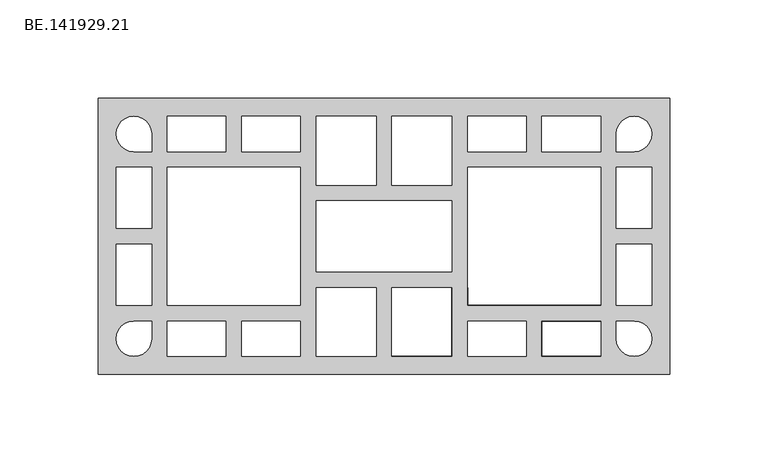
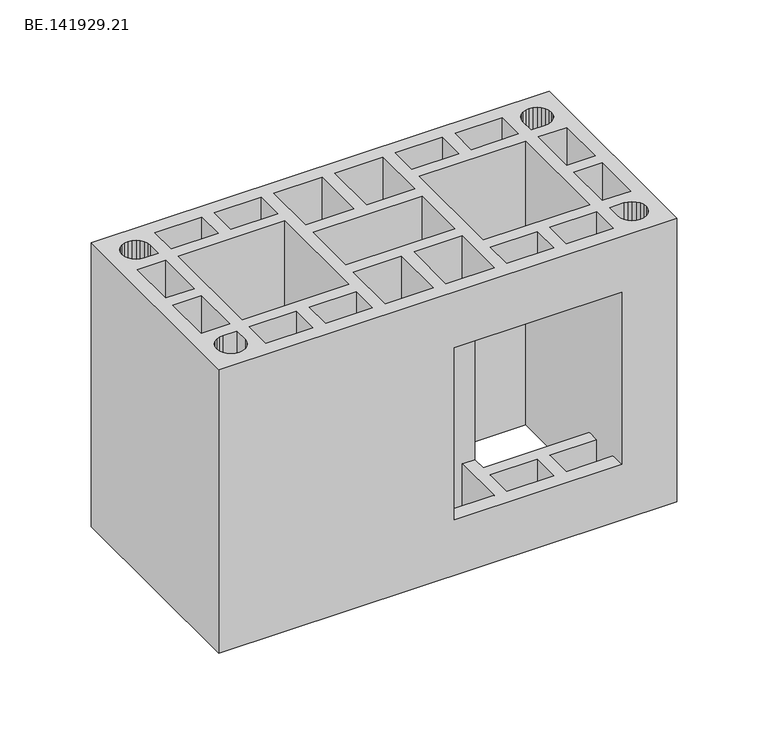
"""IFC4 building model written with IfcOpenShell, lengths in millimetres: proxy geometry, BE.141929.21."""

import ifcopenshell
import ifcopenshell.guid

model = None  # the IFC model being written
_history = None  # IfcOwnerHistory: only IFC2X3 demands one
_inside = {}  # id of a spatial element -> (the spatial element, [elements in it])
_under = {}  # id of a project, library or spatial element -> (it, [spatial elements below it])
_declared = {}  # id of a project -> (the project, [libraries it declares])
_typed = {}  # id of a type object -> (the type object, [elements of that type])
_made_of = {}  # id of a material, layer set ... -> (it, [elements and type objects made of it])


def new_model(schema):
    """Start an empty IFC model of exactly this schema.

    Asked for "IFC4X3", IfcOpenShell would pick the latest addendum, in which some entities
    have other attributes; the version numbers below select the first issue.
    IFC2X3 requires an IfcOwnerHistory on every rooted entity: one is made here for all.
    """
    global model, _history
    if schema == "IFC4X3":
        model = ifcopenshell.file(schema_version=(4, 3, 0, 0))
    else:
        model = ifcopenshell.file(schema=schema)
    _inside.clear()
    _under.clear()
    _declared.clear()
    _typed.clear()
    _made_of.clear()
    _history = None
    if model.schema == "IFC2X3":
        org = make("IfcOrganization", Name="unknown")
        user = make(
            "IfcPersonAndOrganization",
            ThePerson=make("IfcPerson", FamilyName="unknown"),
            TheOrganization=org,
        )
        app = make(
            "IfcApplication",
            ApplicationDeveloper=org,
            Version="unknown",
            ApplicationFullName="unknown",
            ApplicationIdentifier="unknown",
        )
        _history = make(
            "IfcOwnerHistory",
            OwningUser=user,
            OwningApplication=app,
            ChangeAction="ADDED",
            CreationDate=0,
        )
    return model


def make(cls, **values):
    """One entity of the class cls with the attributes given. An attribute that is None is left unset."""
    return model.create_entity(
        cls, **{name: value for name, value in values.items() if value is not None}
    )


def rooted(cls, **values):
    """An entity with a GlobalId (a new one), such as an element, a storey or a relation."""
    return make(cls, GlobalId=ifcopenshell.guid.new(), OwnerHistory=_history, **values)


def si_unit(unit_type, name, prefix=None):
    """IfcSIUnit, for example si_unit("LENGTHUNIT", "METRE", prefix="MILLI")."""
    return make("IfcSIUnit", UnitType=unit_type, Prefix=prefix, Name=name)


def assignment(units):
    """IfcUnitAssignment: the units of a project."""
    return None if units is None else make("IfcUnitAssignment", Units=units)


def point(xyz):
    """IfcCartesianPoint."""
    return None if xyz is None else make("IfcCartesianPoint", Coordinates=xyz)


def direction(xyz):
    """IfcDirection."""
    return None if xyz is None else make("IfcDirection", DirectionRatios=xyz)


def frame(location, z_axis=None, x_axis=None):
    """IfcAxis2Placement3D, a coordinate frame: its origin and axes. An axis left out is left unset."""
    return make(
        "IfcAxis2Placement3D",
        Location=point(location),
        Axis=direction(z_axis),
        RefDirection=direction(x_axis),
    )


def origin():
    """The frame at (0, 0, 0) with its axes left unset."""
    return frame((0.0, 0.0, 0.0))


def place(relative_to, where):
    """IfcLocalPlacement: puts the frame where relative to a parent placement (None: the world)."""
    return make(
        "IfcLocalPlacement", PlacementRelTo=relative_to, RelativePlacement=where
    )


def context(
    kind, dimensions, precision=None, world=None, true_north=None, identifier=None
):
    """IfcGeometricRepresentationContext, for example the 3D "Model" context."""
    return make(
        "IfcGeometricRepresentationContext",
        ContextIdentifier=identifier,
        ContextType=kind,
        CoordinateSpaceDimension=dimensions,
        Precision=precision,
        WorldCoordinateSystem=world,
        TrueNorth=true_north,
    )


def project(units=None, contexts=None):
    """IfcProject with its units and contexts."""
    return rooted(
        "IfcProject",
        Name="project",
        RepresentationContexts=contexts,
        UnitsInContext=assignment(units),
    )


def spatial(cls, under=None, at=None, **own):
    """A site, building, storey or space (cls), placed at a placement, below another one or the project."""
    s = rooted(cls, ObjectPlacement=at, **own)
    if under is not None:
        _under.setdefault(under.id(), (under, []))[1].append(s)
    return s


def faces_of(points, faces, orient=None, outer=None):
    """IfcFace entities. A face is a list of loops; a loop is a list of indices into points, from 0.

    orient and outer hold one flag for each loop. By default every Orientation is true, the
    first loop of a face is its IfcFaceOuterBound and the others are IfcFaceBound.
    """
    made = []
    for i, loops in enumerate(faces):
        bounds = []
        for j, loop in enumerate(loops):
            is_outer = j == 0 if outer is None else outer[i][j]
            bounds.append(
                make(
                    "IfcFaceOuterBound" if is_outer else "IfcFaceBound",
                    Bound=make("IfcPolyLoop", Polygon=[points[k] for k in loop]),
                    Orientation=True if orient is None else orient[i][j],
                )
            )
        made.append(make("IfcFace", Bounds=bounds))
    return made


def faceted_brep(points, faces, orient=None, outer=None, voids=None):
    """IfcFacetedBrep: a solid bounded by flat faces; with voids (closed shells), ...WithVoids."""
    shared = [point(p) for p in points]
    hull = make("IfcClosedShell", CfsFaces=faces_of(shared, faces, orient, outer))
    if voids is None:
        return make("IfcFacetedBrep", Outer=hull)
    return make(
        "IfcFacetedBrepWithVoids",
        Outer=hull,
        Voids=[
            make(cls, CfsFaces=faces_of(shared, fs, o, b)) for cls, fs, o, b in voids
        ],
    )


def shape(context_of_items, identifier, shape_type, items):
    """IfcShapeRepresentation: the items that make up one representation, for example the "Body"."""
    return make(
        "IfcShapeRepresentation",
        ContextOfItems=context_of_items,
        RepresentationIdentifier=identifier,
        RepresentationType=shape_type,
        Items=items,
    )


def source(mapping_origin, context_of_items, identifier, shape_type, items):
    """IfcRepresentationMap: a shape defined once, which mapped items show again and again."""
    return make(
        "IfcRepresentationMap",
        MappingOrigin=mapping_origin,
        MappedRepresentation=shape(context_of_items, identifier, shape_type, items),
    )


def transform(
    local_origin,
    x_axis=None,
    y_axis=None,
    z_axis=None,
    scale=None,
    scale2=None,
    scale3=None,
    uniform=True,
):
    """IfcCartesianTransformationOperator3D, or its non-uniform kind. x_axis, y_axis, z_axis: its Axis1, 2, 3."""
    if uniform:
        return make(
            "IfcCartesianTransformationOperator3D",
            Axis1=direction(x_axis),
            Axis2=direction(y_axis),
            LocalOrigin=point(local_origin),
            Scale=scale,
            Axis3=direction(z_axis),
        )
    return make(
        "IfcCartesianTransformationOperator3DnonUniform",
        Axis1=direction(x_axis),
        Axis2=direction(y_axis),
        LocalOrigin=point(local_origin),
        Scale=scale,
        Axis3=direction(z_axis),
        Scale2=scale2,
        Scale3=scale3,
    )


def mapped(mapping_source, mapping_target):
    """IfcMappedItem: shows the shape of a source again, moved by a transform."""
    return make(
        "IfcMappedItem", MappingSource=mapping_source, MappingTarget=mapping_target
    )


def made_of(thing, what):
    """Note that an element or type object is made of a material, layer set ...; save() writes the relation."""
    if what is not None:
        _made_of.setdefault(what.id(), (what, []))[1].append(thing)
    return thing


def element(
    cls,
    number,
    at=None,
    inside=None,
    cuts=None,
    type_object=None,
    material=None,
    context=None,
    identifier="Body",
    shape_type=None,
    held_by="IfcProductDefinitionShape",
    body=None,
    shapes=None,
    **own,
):
    """One element of the class cls, such as IfcWall. Its Tag is "e" and its number.

    at: its placement. inside: the storey or other place that contains it. cuts: it is an
    opening in that element (IfcRelVoidsElement). A single representation is given by context,
    identifier, shape_type and body (its items); several are given by shapes. held_by: the class
    of the entity that holds the representations. save() writes the other relations.
    """
    e = rooted(cls, Tag="e%d" % number, ObjectPlacement=at, **own)
    if body is not None:
        shapes = [shape(context, identifier, shape_type, body)]
    if shapes is not None:
        e.Representation = make(held_by, Representations=shapes)
    if inside is not None:
        _inside.setdefault(inside.id(), (inside, []))[1].append(e)
    if cuts is not None:
        rooted(
            "IfcRelVoidsElement", RelatingBuildingElement=cuts, RelatedOpeningElement=e
        )
    if type_object is not None:
        _typed.setdefault(type_object.id(), (type_object, []))[1].append(e)
    return made_of(e, material)


def aggregate(whole, parts):
    """IfcRelAggregates: a whole, such as a stair, and the parts it consists of."""
    return rooted("IfcRelAggregates", RelatingObject=whole, RelatedObjects=parts)


def save(model, path):
    """Write the relations noted so far, then the file.

    IfcRelAggregates (storeys below a building ...), IfcRelContainedInSpatialStructure (elements
    in a storey), IfcRelDefinesByType, IfcRelAssociatesMaterial and IfcRelDeclares: one each for
    every whole, place, type object, material and project.
    """
    for whole, parts in _under.values():
        aggregate(whole, parts)
    for where, things in _inside.values():
        rooted(
            "IfcRelContainedInSpatialStructure",
            RelatedElements=things,
            RelatingStructure=where,
        )
    for kind, things in _typed.values():
        rooted("IfcRelDefinesByType", RelatedObjects=things, RelatingType=kind)
    for what, things in _made_of.values():
        rooted("IfcRelAssociatesMaterial", RelatedObjects=things, RelatingMaterial=what)
    for by, libraries in _declared.values():
        rooted("IfcRelDeclares", RelatingContext=by, RelatedDefinitions=libraries)
    model.write(path)


def be_141929_21_d2c69368(model_context):
    return source(origin(), model_context, "Body", "Brep", [
        faceted_brep([(295.0, 70.0050293, 190.0), (5.0, 70.0050293, 190.0), (5.0, -70.0050293, 190.0), (295.0, -70.0050293, 190.0), (29.352002, 58.3592285, 190.0), (30.7844727, 56.498877, 190.0), (31.6774414, 54.3408691, 190.0), (31.9937012, 51.9968262, 190.0), (31.9937012, 43.0113281, 190.0), (22.9895996, 43.0113281, 190.0), (20.6641602, 43.3089844, 190.0), (18.4875488, 44.2019531, 190.0), (16.6271973, 45.6344238, 190.0), (15.1947266, 47.4947754, 190.0), (14.3017578, 49.6713867, 190.0), (13.985498, 51.9968262, 190.0), (14.3017578, 54.3408691, 190.0), (15.1947266, 56.498877, 190.0), (16.6271973, 58.3592285, 190.0), (18.4875488, 59.7916992, 190.0), (20.6641602, 60.7032715, 190.0), (22.9895996, 61.0009277, 190.0), (25.3150391, 60.7032715, 190.0), (27.4916504, 59.7916992, 190.0), (69.7402344, 61.0009277, 190.0), (69.7402344, 43.0113281, 190.0), (39.9932129, 43.0113281, 190.0), (39.9932129, 61.0009277, 190.0), (107.4867676, 61.0009277, 190.0), (107.4867676, 43.0113281, 190.0), (77.7397461, 43.0113281, 190.0), (77.7397461, 61.0009277, 190.0), (145.9960449, 61.0009277, 190.0), (145.9960449, 26.0077148, 190.0), (115.4862793, 26.0077148, 190.0), (115.4862793, 61.0009277, 190.0), (184.4867188, 18.0082031, 190.0), (184.4867188, -17.9895996, 190.0), (115.4862793, -17.9895996, 190.0), (115.4862793, 18.0082031, 190.0), (184.4867188, 26.0077148, 190.0), (153.9955566, 26.0077148, 190.0), (153.9955566, 61.0009277, 190.0), (184.4867188, 61.0009277, 190.0), (192.4862305, 61.0009277, 190.0), (222.233252, 61.0009277, 190.0), (222.233252, 43.0113281, 190.0), (192.4862305, 43.0113281, 190.0), (259.9983887, 61.0009277, 190.0), (259.9983887, 43.0113281, 190.0), (230.2327637, 43.0113281, 190.0), (230.2327637, 61.0009277, 190.0), (269.1885254, 56.498877, 190.0), (270.6209961, 58.3592285, 190.0), (272.4999512, 59.7916992, 190.0), (274.657959, 60.7032715, 190.0), (276.9833984, 61.0009277, 190.0), (279.3274414, 60.7032715, 190.0), (281.4854492, 59.7916992, 190.0), (283.3458008, 58.3592285, 190.0), (284.7782715, 56.498877, 190.0), (285.6898438, 54.3408691, 190.0), (285.9875, 51.9968262, 190.0), (285.6898438, 49.6713867, 190.0), (284.7782715, 47.4947754, 190.0), (283.3458008, 45.6344238, 190.0), (281.4854492, 44.2019531, 190.0), (279.3274414, 43.3089844, 190.0), (276.9833984, 43.0113281, 190.0), (267.9979004, 43.0113281, 190.0), (267.9979004, 51.9968262, 190.0), (268.2955566, 54.3408691, 190.0), (107.4867676, 35.0118164, 190.0), (107.4867676, -34.9932129, 190.0), (39.9932129, -34.9932129, 190.0), (39.9932129, 35.0118164, 190.0), (259.9983887, 35.0118164, 190.0), (259.9983887, -34.9932129, 190.0), (192.4862305, -34.9932129, 190.0), (192.4862305, 35.0118164, 190.0), (267.9979004, 35.0118164, 190.0), (285.9875, 35.0118164, 190.0), (285.9875, 3.9997559, 190.0), (267.9979004, 3.9997559, 190.0), (29.352002, -58.3592285, 190.0), (27.4916504, -59.7916992, 190.0), (25.3150391, -60.7032715, 190.0), (22.9895996, -61.0009277, 190.0), (20.6641602, -60.7032715, 190.0), (18.4875488, -59.7916992, 190.0), (16.6271973, -58.3592285, 190.0), (15.1947266, -56.498877, 190.0), (14.3017578, -54.3408691, 190.0), (13.985498, -51.9968262, 190.0), (14.3017578, -49.6713867, 190.0), (15.1947266, -47.4947754, 190.0), (16.6271973, -45.6344238, 190.0), (18.4875488, -44.2019531, 190.0), (20.6641602, -43.3089844, 190.0), (22.9895996, -43.0113281, 190.0), (31.9937012, -43.0113281, 190.0), (31.9937012, -51.9968262, 190.0), (31.6774414, -54.3408691, 190.0), (30.7844727, -56.498877, 190.0), (69.7402344, -61.0009277, 190.0), (39.9932129, -61.0009277, 190.0), (39.9932129, -43.0113281, 190.0), (69.7402344, -43.0113281, 190.0), (107.4867676, -61.0009277, 190.0), (77.7397461, -61.0009277, 190.0), (77.7397461, -43.0113281, 190.0), (107.4867676, -43.0113281, 190.0), (145.9960449, -61.0009277, 190.0), (115.4862793, -61.0009277, 190.0), (115.4862793, -26.0077148, 190.0), (145.9960449, -26.0077148, 190.0), (184.4867188, -26.0077148, 190.0), (184.4867188, -61.0009277, 190.0), (153.9955566, -61.0009277, 190.0), (153.9955566, -26.0077148, 190.0), (192.4862305, -61.0009277, 190.0), (192.4862305, -43.0113281, 190.0), (222.233252, -43.0113281, 190.0), (222.233252, -61.0009277, 190.0), (259.9983887, -61.0009277, 190.0), (230.2327637, -61.0009277, 190.0), (230.2327637, -43.0113281, 190.0), (259.9983887, -43.0113281, 190.0), (269.1885254, -56.498877, 190.0), (268.2955566, -54.3408691, 190.0), (267.9979004, -51.9968262, 190.0), (267.9979004, -43.0113281, 190.0), (276.9833984, -43.0113281, 190.0), (279.3274414, -43.3089844, 190.0), (281.4854492, -44.2019531, 190.0), (283.3458008, -45.6344238, 190.0), (284.7782715, -47.4947754, 190.0), (285.6898438, -49.6713867, 190.0), (285.9875, -51.9968262, 190.0), (285.6898438, -54.3408691, 190.0), (284.7782715, -56.498877, 190.0), (283.3458008, -58.3592285, 190.0), (281.4854492, -59.7916992, 190.0), (279.3274414, -60.7032715, 190.0), (276.9833984, -61.0009277, 190.0), (274.657959, -60.7032715, 190.0), (272.4999512, -59.7916992, 190.0), (270.6209961, -58.3592285, 190.0), (267.9979004, -35.0118164, 190.0), (267.9979004, -3.9997559, 190.0), (285.9875, -3.9997559, 190.0), (285.9875, -35.0118164, 190.0), (32.0020996, 35.0118164, 190.0), (32.0020996, 3.9997559, 190.0), (14.0125, 3.9997559, 190.0), (14.0125, 35.0118164, 190.0), (32.0020996, -35.0118164, 190.0), (14.0125, -35.0118164, 190.0), (14.0125, -3.9997559, 190.0), (32.0020996, -3.9997559, 190.0), (295.0, 70.0050293, 0.0), (295.0, -70.0050293, 0.0), (5.0, -70.0050293, 0.0), (5.0, 70.0050293, 0.0), (29.352002, 58.3592285, 0.0), (27.4916504, 59.7916992, 0.0), (25.3150391, 60.7032715, 0.0), (22.9895996, 61.0009277, 0.0), (20.6641602, 60.7032715, 0.0), (18.4875488, 59.7916992, 0.0), (16.6271973, 58.3592285, 0.0), (15.1947266, 56.498877, 0.0), (14.3017578, 54.3408691, 0.0), (13.985498, 51.9968262, 0.0), (14.3017578, 49.6713867, 0.0), (15.1947266, 47.4947754, 0.0), (16.6271973, 45.6344238, 0.0), (18.4875488, 44.2019531, 0.0), (20.6641602, 43.3089844, 0.0), (22.9895996, 43.0113281, 0.0), (31.9937012, 43.0113281, 0.0), (31.9937012, 51.9968262, 0.0), (31.6774414, 54.3408691, 0.0), (30.7844727, 56.498877, 0.0), (69.7402344, 61.0009277, 0.0), (39.9932129, 61.0009277, 0.0), (39.9932129, 43.0113281, 0.0), (69.7402344, 43.0113281, 0.0), (107.4867676, 61.0009277, 0.0), (77.7397461, 61.0009277, 0.0), (77.7397461, 43.0113281, 0.0), (107.4867676, 43.0113281, 0.0), (145.9960449, 61.0009277, 0.0), (115.4862793, 61.0009277, 0.0), (115.4862793, 26.0077148, 0.0), (145.9960449, 26.0077148, 0.0), (184.4867188, 18.0082031, 0.0), (115.4862793, 18.0082031, 0.0), (115.4862793, -17.9895996, 0.0), (184.4867188, -17.9895996, 0.0), (184.4867188, 26.0077148, 0.0), (184.4867188, 61.0009277, 0.0), (153.9955566, 61.0009277, 0.0), (153.9955566, 26.0077148, 0.0), (192.4862305, 61.0009277, 0.0), (192.4862305, 43.0113281, 0.0), (222.233252, 43.0113281, 0.0), (222.233252, 61.0009277, 0.0), (259.9983887, 61.0009277, 0.0), (230.2327637, 61.0009277, 0.0), (230.2327637, 43.0113281, 0.0), (259.9983887, 43.0113281, 0.0), (269.1885254, 56.498877, 0.0), (268.2955566, 54.3408691, 0.0), (267.9979004, 51.9968262, 0.0), (267.9979004, 43.0113281, 0.0), (276.9833984, 43.0113281, 0.0), (279.3274414, 43.3089844, 0.0), (281.4854492, 44.2019531, 0.0), (283.3458008, 45.6344238, 0.0), (284.7782715, 47.4947754, 0.0), (285.6898438, 49.6713867, 0.0), (285.9875, 51.9968262, 0.0), (285.6898438, 54.3408691, 0.0), (284.7782715, 56.498877, 0.0), (283.3458008, 58.3592285, 0.0), (281.4854492, 59.7916992, 0.0), (279.3274414, 60.7032715, 0.0), (276.9833984, 61.0009277, 0.0), (274.657959, 60.7032715, 0.0), (272.4999512, 59.7916992, 0.0), (270.6209961, 58.3592285, 0.0), (107.4867676, 35.0118164, 0.0), (39.9932129, 35.0118164, 0.0), (39.9932129, -34.9932129, 0.0), (107.4867676, -34.9932129, 0.0), (259.9983887, 35.0118164, 0.0), (192.4862305, 35.0118164, 0.0), (192.4862305, -34.9932129, 0.0), (259.9983887, -34.9932129, 0.0), (267.9979004, 35.0118164, 0.0), (267.9979004, 3.9997559, 0.0), (285.9875, 3.9997559, 0.0), (285.9875, 35.0118164, 0.0), (29.352002, -58.3592285, 0.0), (30.7844727, -56.498877, 0.0), (31.6774414, -54.3408691, 0.0), (31.9937012, -51.9968262, 0.0), (31.9937012, -43.0113281, 0.0), (22.9895996, -43.0113281, 0.0), (20.6641602, -43.3089844, 0.0), (18.4875488, -44.2019531, 0.0), (16.6271973, -45.6344238, 0.0), (15.1947266, -47.4947754, 0.0), (14.3017578, -49.6713867, 0.0), (13.985498, -51.9968262, 0.0), (14.3017578, -54.3408691, 0.0), (15.1947266, -56.498877, 0.0), (16.6271973, -58.3592285, 0.0), (18.4875488, -59.7916992, 0.0), (20.6641602, -60.7032715, 0.0), (22.9895996, -61.0009277, 0.0), (25.3150391, -60.7032715, 0.0), (27.4916504, -59.7916992, 0.0), (69.7402344, -61.0009277, 0.0), (69.7402344, -43.0113281, 0.0), (39.9932129, -43.0113281, 0.0), (39.9932129, -61.0009277, 0.0), (107.4867676, -61.0009277, 0.0), (107.4867676, -43.0113281, 0.0), (77.7397461, -43.0113281, 0.0), (77.7397461, -61.0009277, 0.0), (145.9960449, -61.0009277, 0.0), (145.9960449, -26.0077148, 0.0), (115.4862793, -26.0077148, 0.0), (115.4862793, -61.0009277, 0.0), (184.4867188, -26.0077148, 0.0), (153.9955566, -26.0077148, 0.0), (153.9955566, -61.0009277, 0.0), (184.4867188, -61.0009277, 0.0), (192.4862305, -61.0009277, 0.0), (222.233252, -61.0009277, 0.0), (222.233252, -43.0113281, 0.0), (192.4862305, -43.0113281, 0.0), (259.9983887, -61.0009277, 0.0), (259.9983887, -43.0113281, 0.0), (230.2327637, -43.0113281, 0.0), (230.2327637, -61.0009277, 0.0), (269.1885254, -56.498877, 0.0), (270.6209961, -58.3592285, 0.0), (272.4999512, -59.7916992, 0.0), (274.657959, -60.7032715, 0.0), (276.9833984, -61.0009277, 0.0), (279.3274414, -60.7032715, 0.0), (281.4854492, -59.7916992, 0.0), (283.3458008, -58.3592285, 0.0), (284.7782715, -56.498877, 0.0), (285.6898438, -54.3408691, 0.0), (285.9875, -51.9968262, 0.0), (285.6898438, -49.6713867, 0.0), (284.7782715, -47.4947754, 0.0), (283.3458008, -45.6344238, 0.0), (281.4854492, -44.2019531, 0.0), (279.3274414, -43.3089844, 0.0), (276.9833984, -43.0113281, 0.0), (267.9979004, -43.0113281, 0.0), (267.9979004, -51.9968262, 0.0), (268.2955566, -54.3408691, 0.0), (267.9979004, -35.0118164, 0.0), (285.9875, -35.0118164, 0.0), (285.9875, -3.9997559, 0.0), (267.9979004, -3.9997559, 0.0), (32.0020996, 35.0118164, 0.0), (14.0125, 35.0118164, 0.0), (14.0125, 3.9997559, 0.0), (32.0020996, 3.9997559, 0.0), (32.0020996, -35.0118164, 0.0), (32.0020996, -3.9997559, 0.0), (14.0125, -3.9997559, 0.0), (14.0125, -35.0118164, 0.0), (153.9983887, -70.0050293, 152.5), (259.9983887, -70.0050293, 152.5), (259.9983887, -70.0050293, 37.5), (153.9983887, -70.0050293, 37.5), (259.9983887, -61.0009277, 152.5), (259.9983887, -43.0113281, 152.5), (259.9983887, -34.9932129, 152.5), (259.9983887, -34.9932129, 37.5), (259.9983887, -43.0113281, 37.5), (259.9983887, -61.0009277, 37.5), (192.4862305, -34.9932129, 152.5), (192.4862305, -34.9932129, 37.5), (192.4862305, -26.0077148, 152.5), (192.4862305, -26.0077148, 37.5), (184.4867188, -26.0077148, 152.5), (184.4867188, -61.0009277, 152.5), (184.4867188, -61.0009277, 37.5), (184.4867188, -26.0077148, 37.5), (153.9955566, -61.0009277, 152.5), (153.9955566, -61.0009277, 37.5), (192.4862305, -61.0009277, 152.5), (192.4862305, -43.0113281, 152.5), (192.4862305, -43.0113281, 37.5), (192.4862305, -61.0009277, 37.5), (222.233252, -43.0113281, 152.5), (222.233252, -43.0113281, 37.5), (222.233252, -61.0009277, 152.5), (222.233252, -61.0009277, 37.5), (230.2327637, -61.0009277, 152.5), (230.2327637, -61.0009277, 37.5), (230.2327637, -43.0113281, 152.5), (230.2327637, -43.0113281, 37.5)], [[[0, 1, 2, 3], [4, 5, 6, 7, 8, 9, 10, 11, 12, 13, 14, 15, 16, 17, 18, 19, 20, 21, 22, 23], [24, 25, 26, 27], [28, 29, 30, 31], [32, 33, 34, 35], [36, 37, 38, 39], [40, 41, 42, 43], [44, 45, 46, 47], [48, 49, 50, 51], [52, 53, 54, 55, 56, 57, 58, 59, 60, 61, 62, 63, 64, 65, 66, 67, 68, 69, 70, 71], [72, 73, 74, 75], [76, 77, 78, 79], [80, 81, 82, 83], [84, 85, 86, 87, 88, 89, 90, 91, 92, 93, 94, 95, 96, 97, 98, 99, 100, 101, 102, 103], [104, 105, 106, 107], [108, 109, 110, 111], [112, 113, 114, 115], [116, 117, 118, 119], [120, 121, 122, 123], [124, 125, 126, 127], [128, 129, 130, 131, 132, 133, 134, 135, 136, 137, 138, 139, 140, 141, 142, 143, 144, 145, 146, 147], [148, 149, 150, 151], [152, 153, 154, 155], [156, 157, 158, 159]], [[160, 161, 162, 163], [164, 165, 166, 167, 168, 169, 170, 171, 172, 173, 174, 175, 176, 177, 178, 179, 180, 181, 182, 183], [184, 185, 186, 187], [188, 189, 190, 191], [192, 193, 194, 195], [196, 197, 198, 199], [200, 201, 202, 203], [204, 205, 206, 207], [208, 209, 210, 211], [212, 213, 214, 215, 216, 217, 218, 219, 220, 221, 222, 223, 224, 225, 226, 227, 228, 229, 230, 231], [232, 233, 234, 235], [236, 237, 238, 239], [240, 241, 242, 243], [244, 245, 246, 247, 248, 249, 250, 251, 252, 253, 254, 255, 256, 257, 258, 259, 260, 261, 262, 263], [264, 265, 266, 267], [268, 269, 270, 271], [272, 273, 274, 275], [276, 277, 278, 279], [280, 281, 282, 283], [284, 285, 286, 287], [288, 289, 290, 291, 292, 293, 294, 295, 296, 297, 298, 299, 300, 301, 302, 303, 304, 305, 306, 307], [308, 309, 310, 311], [312, 313, 314, 315], [316, 317, 318, 319]], [[1, 0, 160, 163]], [[2, 1, 163, 162]], [[3, 2, 162, 161], [320, 321, 322, 323]], [[0, 3, 161, 160]], [[5, 4, 164, 183]], [[6, 5, 183, 182]], [[7, 6, 182, 181]], [[8, 7, 181, 180]], [[9, 8, 180, 179]], [[10, 9, 179, 178]], [[11, 10, 178, 177]], [[12, 11, 177, 176]], [[13, 12, 176, 175]], [[14, 13, 175, 174]], [[15, 14, 174, 173]], [[16, 15, 173, 172]], [[17, 16, 172, 171]], [[18, 17, 171, 170]], [[19, 18, 170, 169]], [[20, 19, 169, 168]], [[21, 20, 168, 167]], [[22, 21, 167, 166]], [[23, 22, 166, 165]], [[4, 23, 165, 164]], [[25, 24, 184, 187]], [[26, 25, 187, 186]], [[27, 26, 186, 185]], [[24, 27, 185, 184]], [[29, 28, 188, 191]], [[30, 29, 191, 190]], [[31, 30, 190, 189]], [[28, 31, 189, 188]], [[33, 32, 192, 195]], [[34, 33, 195, 194]], [[35, 34, 194, 193]], [[32, 35, 193, 192]], [[37, 36, 196, 199]], [[38, 37, 199, 198]], [[39, 38, 198, 197]], [[36, 39, 197, 196]], [[41, 40, 200, 203]], [[42, 41, 203, 202]], [[43, 42, 202, 201]], [[40, 43, 201, 200]], [[45, 44, 204, 207]], [[46, 45, 207, 206]], [[47, 46, 206, 205]], [[44, 47, 205, 204]], [[49, 48, 208, 211]], [[50, 49, 211, 210]], [[51, 50, 210, 209]], [[48, 51, 209, 208]], [[53, 52, 212, 231]], [[54, 53, 231, 230]], [[55, 54, 230, 229]], [[56, 55, 229, 228]], [[57, 56, 228, 227]], [[58, 57, 227, 226]], [[59, 58, 226, 225]], [[60, 59, 225, 224]], [[61, 60, 224, 223]], [[62, 61, 223, 222]], [[63, 62, 222, 221]], [[64, 63, 221, 220]], [[65, 64, 220, 219]], [[66, 65, 219, 218]], [[67, 66, 218, 217]], [[68, 67, 217, 216]], [[69, 68, 216, 215]], [[70, 69, 215, 214]], [[71, 70, 214, 213]], [[52, 71, 213, 212]], [[73, 72, 232, 235]], [[74, 73, 235, 234]], [[75, 74, 234, 233]], [[72, 75, 233, 232]], [[321, 324, 124, 127, 325, 326, 77, 76, 236, 239, 327, 328, 285, 284, 329, 322]], [[78, 77, 326, 330]], [[239, 238, 331, 327]], [[79, 78, 330, 332, 333, 331, 238, 237]], [[76, 79, 237, 236]], [[81, 80, 240, 243]], [[82, 81, 243, 242]], [[83, 82, 242, 241]], [[80, 83, 241, 240]], [[85, 84, 244, 263]], [[86, 85, 263, 262]], [[87, 86, 262, 261]], [[88, 87, 261, 260]], [[89, 88, 260, 259]], [[90, 89, 259, 258]], [[91, 90, 258, 257]], [[92, 91, 257, 256]], [[93, 92, 256, 255]], [[94, 93, 255, 254]], [[95, 94, 254, 253]], [[96, 95, 253, 252]], [[97, 96, 252, 251]], [[98, 97, 251, 250]], [[99, 98, 250, 249]], [[100, 99, 249, 248]], [[101, 100, 248, 247]], [[102, 101, 247, 246]], [[103, 102, 246, 245]], [[84, 103, 245, 244]], [[105, 104, 264, 267]], [[106, 105, 267, 266]], [[107, 106, 266, 265]], [[104, 107, 265, 264]], [[109, 108, 268, 271]], [[110, 109, 271, 270]], [[111, 110, 270, 269]], [[108, 111, 269, 268]], [[113, 112, 272, 275]], [[114, 113, 275, 274]], [[115, 114, 274, 273]], [[112, 115, 273, 272]], [[117, 116, 334, 335]], [[276, 279, 336, 337]], [[118, 117, 335, 338]], [[279, 278, 339, 336]], [[119, 118, 338, 320, 323, 339, 278, 277]], [[116, 119, 277, 276, 337, 333, 332, 334]], [[121, 120, 340, 341]], [[280, 283, 342, 343]], [[122, 121, 341, 344]], [[283, 282, 345, 342]], [[123, 122, 344, 346]], [[282, 281, 347, 345]], [[120, 123, 346, 340]], [[281, 280, 343, 347]], [[125, 124, 324, 348]], [[284, 287, 349, 329]], [[126, 125, 348, 350]], [[287, 286, 351, 349]], [[127, 126, 350, 325]], [[286, 285, 328, 351]], [[129, 128, 288, 307]], [[130, 129, 307, 306]], [[131, 130, 306, 305]], [[132, 131, 305, 304]], [[133, 132, 304, 303]], [[134, 133, 303, 302]], [[135, 134, 302, 301]], [[136, 135, 301, 300]], [[137, 136, 300, 299]], [[138, 137, 299, 298]], [[139, 138, 298, 297]], [[140, 139, 297, 296]], [[141, 140, 296, 295]], [[142, 141, 295, 294]], [[143, 142, 294, 293]], [[144, 143, 293, 292]], [[145, 144, 292, 291]], [[146, 145, 291, 290]], [[147, 146, 290, 289]], [[128, 147, 289, 288]], [[149, 148, 308, 311]], [[150, 149, 311, 310]], [[151, 150, 310, 309]], [[148, 151, 309, 308]], [[153, 152, 312, 315]], [[154, 153, 315, 314]], [[155, 154, 314, 313]], [[152, 155, 313, 312]], [[157, 156, 316, 319]], [[158, 157, 319, 318]], [[159, 158, 318, 317]], [[156, 159, 317, 316]], [[320, 338, 335, 334, 332, 330, 326, 325, 350, 348, 324, 321], [341, 340, 346, 344]], [[339, 323, 322, 329, 349, 351, 328, 327, 331, 333, 337, 336], [343, 342, 345, 347]]]),
    ])


if __name__ == "__main__":
    model = new_model("IFC4")
    model_context = context("Model", 3, world=origin())
    ifc_project = project(units=[si_unit("LENGTHUNIT", "METRE", prefix="MILLI")], contexts=[model_context])
    site = spatial("IfcSite", under=ifc_project)
    building = spatial("IfcBuilding", under=site)
    placement = place(None, origin())
    be_141929_21_shape = be_141929_21_d2c69368(model_context)
    element("IfcBuildingElementProxy", 1, Name="BE.141929.21", ObjectType="BE.141929.21", at=placement, inside=building, context=model_context, shape_type="MappedRepresentation", body=[
        mapped(be_141929_21_shape, transform((0.0, 0.0, 0.0), x_axis=(1.0, 0.0, 0.0), y_axis=(0.0, 1.0, 0.0), z_axis=(0.0, 0.0, 1.0))),
    ])
    save(model, "model.ifc")
